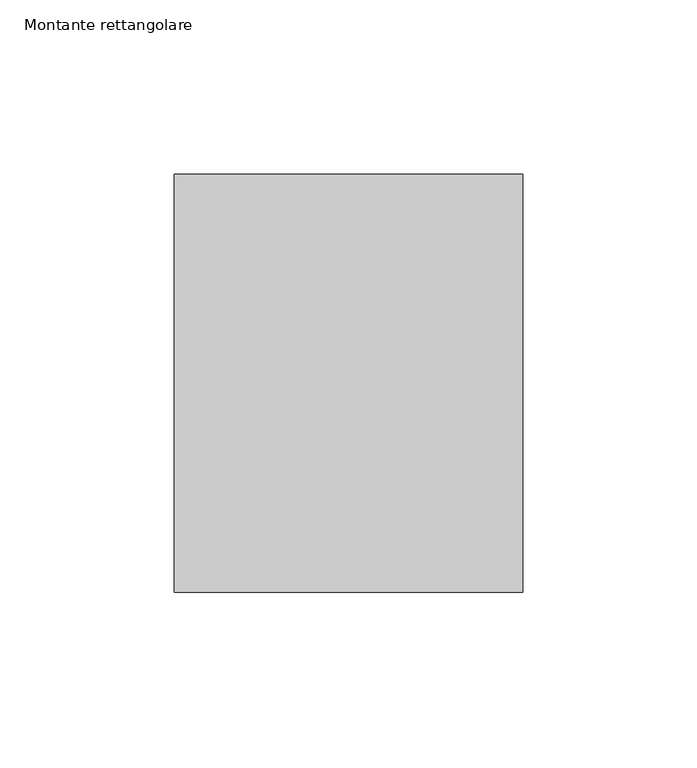
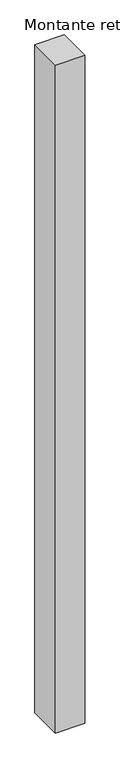
"""IFC4 building model written with IfcOpenShell, lengths in millimetres: member geometry, Montante rettangolare."""

from ifc_helpers import new_model, si_unit, frame, origin, place, context, project, spatial, polyline, outline, extrude, source, transform, mapped, element, save


def montante_rettangolare_f4129a8a(model_context):
    return source(origin(), model_context, "Body", "SweptSolid", [
        extrude(outline(polyline([(50.0, 60.0), (50.0, -60.0), (-50.0, -60.0), (-50.0, 60.0), (50.0, 60.0)])), frame((0.0, 0.0, -2392.5525218), z_axis=(0.0, 0.0, 1.0), x_axis=(1.0, 0.0, 0.0)), (0.0, 0.0, 1.0), 2392.5525218),
    ])


if __name__ == "__main__":
    model = new_model("IFC4")
    model_context = context("Model", 3, world=origin())
    ifc_project = project(units=[si_unit("LENGTHUNIT", "METRE", prefix="MILLI")], contexts=[model_context])
    site = spatial("IfcSite", under=ifc_project)
    building = spatial("IfcBuilding", under=site)
    placement = place(None, origin())
    montante_rettangolare_shape = montante_rettangolare_f4129a8a(model_context)
    element("IfcMember", 1, ObjectType="Montante rettangolare", at=placement, inside=building, context=model_context, shape_type="MappedRepresentation", body=[
        mapped(montante_rettangolare_shape, transform((0.0, 0.0, 0.0), x_axis=(1.0, 0.0, 0.0), y_axis=(0.0, 1.0, 0.0), z_axis=(0.0, 0.0, 1.0))),
    ])
    save(model, "model.ifc")
